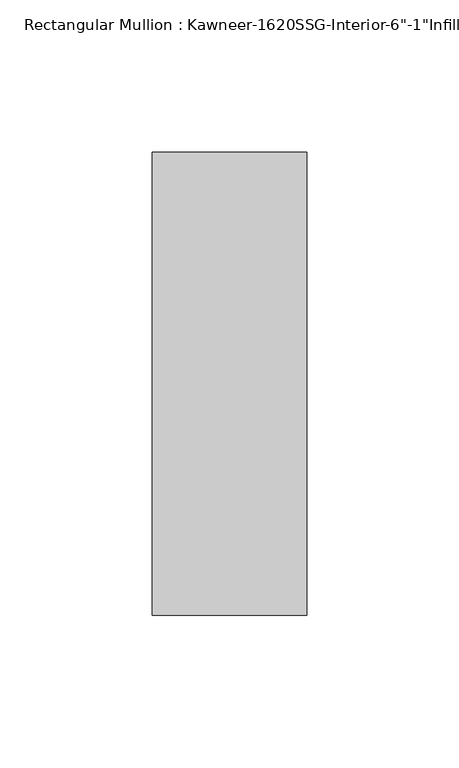
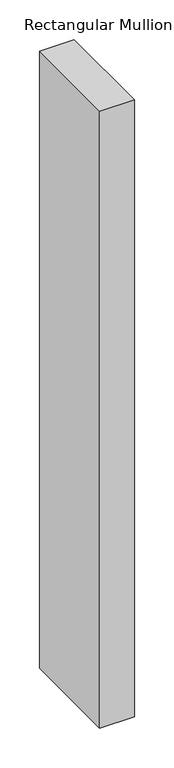
"""IFC4 building model written with IfcOpenShell, lengths in millimetres: member geometry."""

from ifc_helpers import new_model, si_unit, frame, origin, place, context, project, spatial, polyline, outline, extrude, source, transform, mapped, element, save


def member_6999eb9b(model_context):
    return source(origin(), model_context, "Body", "SweptSolid", [
        extrude(outline(polyline([(25.4, -114.3), (-25.4, -114.3), (-25.4, 38.1), (25.4, 38.1), (25.4, -114.3)])), frame((0.0, 0.0, -951.6317631), z_axis=(0.0, 0.0, 1.0), x_axis=(1.0, 0.0, 0.0)), (0.0, 0.0, 1.0), 951.6317631),
    ])


if __name__ == "__main__":
    model = new_model("IFC4")
    model_context = context("Model", 3, world=origin())
    ifc_project = project(units=[si_unit("LENGTHUNIT", "METRE", prefix="MILLI")], contexts=[model_context])
    site = spatial("IfcSite", under=ifc_project)
    building = spatial("IfcBuilding", under=site)
    placement = place(None, origin())
    member_shape = member_6999eb9b(model_context)
    element("IfcMember", 1, ObjectType="Rectangular Mullion : Kawneer-1620SSG-Interior-6\"-1\"Infill", at=placement, inside=building, context=model_context, shape_type="MappedRepresentation", body=[
        mapped(member_shape, transform((0.0, 0.0, 0.0), x_axis=(1.0, 0.0, 0.0), y_axis=(0.0, 1.0, 0.0), z_axis=(0.0, 0.0, 1.0))),
    ])
    save(model, "model.ifc")
